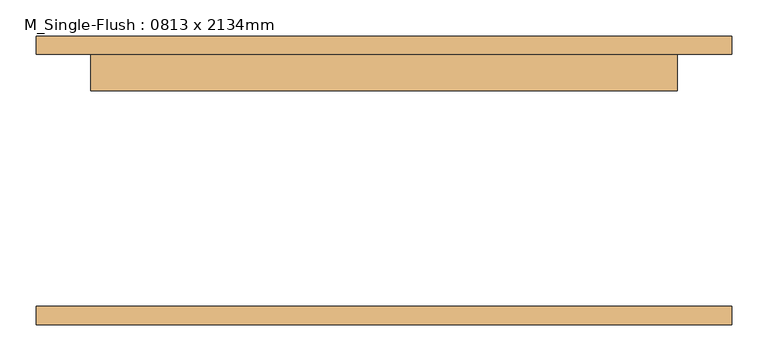
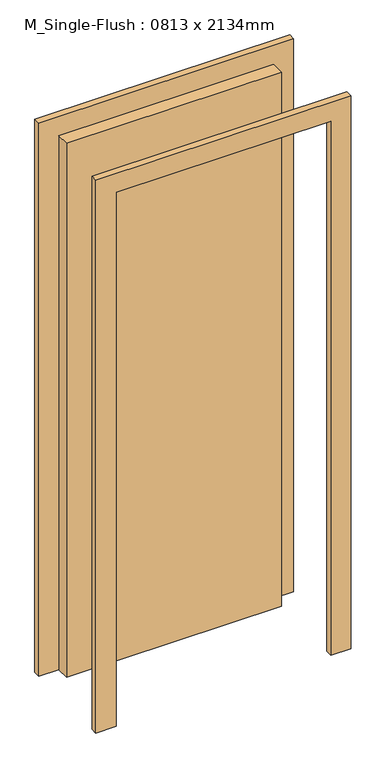
"""IFC4 building model written with IfcOpenShell, lengths in millimetres: door geometry, M_Single-Flush : 0813 x 2134mm."""

from ifc_helpers import new_model, si_unit, frame, origin, origin_with_axes, place, context, project, spatial, polyline, outline, extrude, source, transform, mapped, element, save


def m_single_flush_0813_x_2134mm_c5ed662b(model_context):
    return source(origin(), model_context, "Body", "SweptSolid", [
        extrude(outline(polyline([(2210.0, -482.5), (0.0, -482.5), (0.0, -406.5), (2134.0, -406.5), (2134.0, 406.5), (0.0, 406.5), (0.0, 482.5), (2210.0, 482.5), (2210.0, -482.5)])), frame((0.0, 175.0, 0.0), z_axis=(0.0, 1.0, 0.0), x_axis=(0.0, 0.0, 1.0)), (0.0, 0.0, 1.0), 25.0),
        extrude(outline(polyline([(2210.0, 482.5), (2210.0, -482.5), (0.0, -482.5), (0.0, -406.5), (2134.0, -406.5), (2134.0, 406.5), (0.0, 406.5), (0.0, 482.5), (2210.0, 482.5)])), frame((0.0, -200.0, 0.0), z_axis=(0.0, 1.0, 0.0), x_axis=(0.0, 0.0, 1.0)), (0.0, 0.0, 1.0), 25.0),
        extrude(outline(polyline([(406.5, 124.0), (-406.5, 124.0), (-406.5, 175.0), (406.5, 175.0), (406.5, 124.0)])), origin_with_axes(), (0.0, 0.0, 1.0), 2134.0),
    ])


if __name__ == "__main__":
    model = new_model("IFC4")
    model_context = context("Model", 3, world=origin())
    ifc_project = project(units=[si_unit("LENGTHUNIT", "METRE", prefix="MILLI")], contexts=[model_context])
    site = spatial("IfcSite", under=ifc_project)
    building = spatial("IfcBuilding", under=site)
    placement = place(None, origin())
    m_single_flush_0813_x_2134mm_shape = m_single_flush_0813_x_2134mm_c5ed662b(model_context)
    element("IfcDoor", 1, ObjectType="M_Single-Flush : 0813 x 2134mm", at=placement, inside=building, context=model_context, shape_type="MappedRepresentation", body=[
        mapped(m_single_flush_0813_x_2134mm_shape, transform((0.0, 0.0, 0.0), x_axis=(1.0, 0.0, 0.0), y_axis=(0.0, 1.0, 0.0), z_axis=(0.0, 0.0, 1.0))),
    ])
    save(model, "model.ifc")
